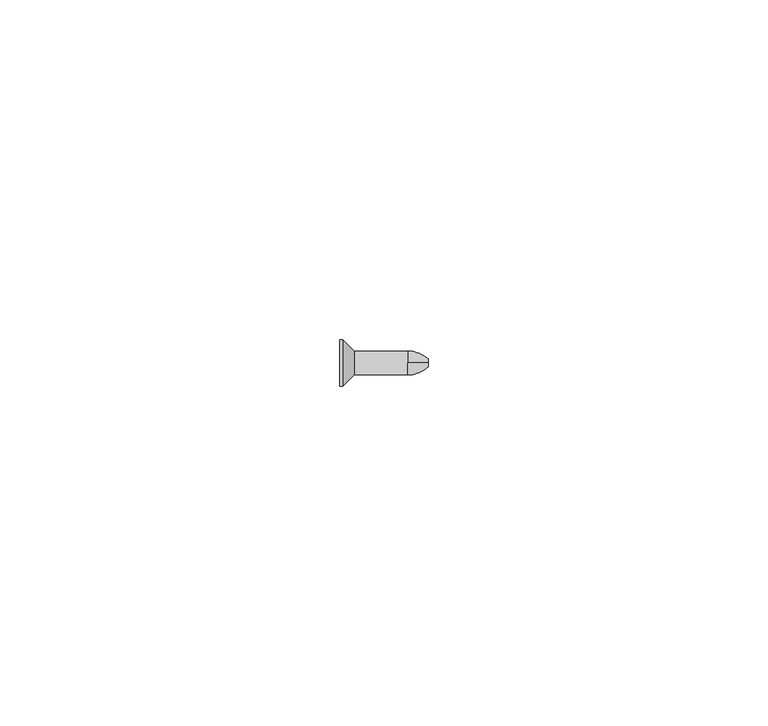
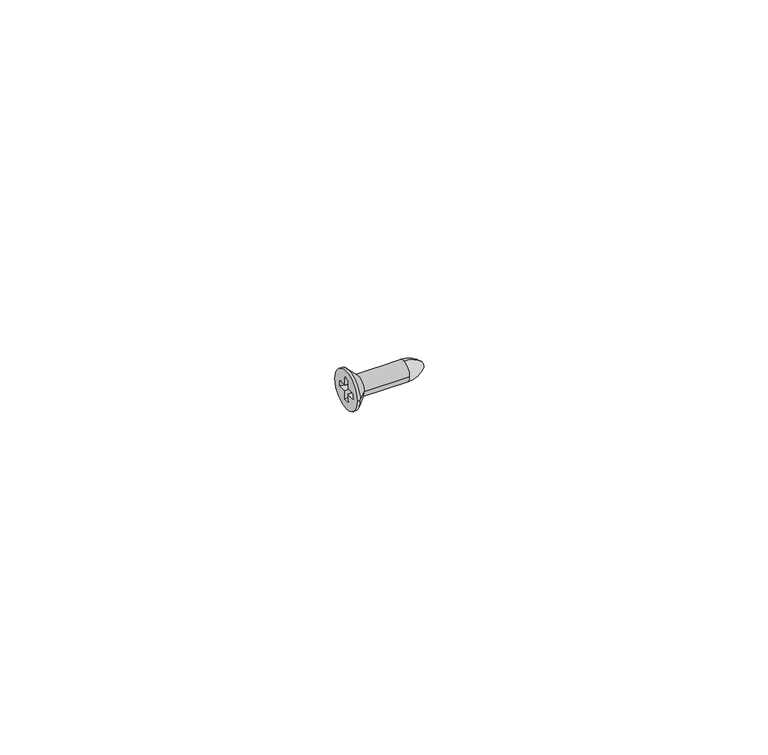
"""IFC4 building model written with IfcOpenShell, lengths in millimetres: proxy geometry."""

from ifc_helpers import new_model, si_unit, point, frame, origin, place, context, project, spatial, polyline, circle_curve, ellipse_curve, trimmed, source, transform, mapped, element, save
from ifc_brep_helpers import plane_surface, cylinder_surface, revolved_surface, advanced_brep


def generic_models_20a118e0(model_context):
    return source(origin(), model_context, "Body", "AdvancedBrep", [
        advanced_brep(
        [(9.9689111, 0.0, -1.75), (13.0, 0.0, -0.5833333), (13.0, 0.0, 0.5833333), (9.9689111, 0.0, 1.75), (9.9689111, -1.75, 0.0), (2.1, 1.75, 0.0), (9.9689111, 1.75, 0.0), (2.1, -1.75, 0.0), (0.45, 3.4, 0.0), (0.45, -3.4, 0.0), (0.0, 3.4, 0.0), (0.0, -3.4, 0.0), (0.0, 0.5, 1.9813467), (0.0, 0.5, 0.5), (1.05, 0.5, 0.5), (1.05, 0.5, 1.7), (0.0, 0.5, -0.5), (0.0, 0.5, -1.9813467), (1.05, 0.5, -1.7), (1.05, 0.5, -0.5), (0.0, -0.5, 1.9813467), (1.05, -0.5, 1.7), (0.0, -0.5, 0.5), (1.05, -0.5, 0.5), (0.0, -0.5, -1.9813467), (0.0, -0.5, -0.5), (1.05, -0.5, -0.5), (1.05, -0.5, -1.7), (0.0, -1.9813467, -0.5), (1.05, -1.7, -0.5), (1.05, 1.7, -0.5), (0.0, 1.9813467, -0.5), (1.05, 1.7, 0.5), (1.05, -1.7, 0.5), (0.0, -1.9813467, 0.5), (0.0, 1.9813467, 0.5), (13.0, 0.5833333, 0.0)],
        [
            (0, 1, circle_curve(frame((9.9689111, 0.0, 2.7708333), z_axis=(0.0, -1.0, 0.0), x_axis=(0.0, 0.0, -1.0)), 4.5208333)),
            (1, 2, circle_curve(frame((13.0, 0.0, 0.0), z_axis=(-1.0, 0.0, 0.0), x_axis=(0.0, 0.0, 1.0)), 0.5833333)),
            (2, 3, circle_curve(frame((9.9689111, 0.0, -2.7708333), z_axis=(0.0, -1.0, 0.0), x_axis=(0.0, 0.0, 1.0)), 4.5208333)),
            (3, 4, circle_curve(frame((9.9689111, 0.0, 0.0), z_axis=(1.0, 0.0, 0.0), x_axis=(0.0, 0.0, 1.0)), 1.75)),
            (4, 0, circle_curve(frame((9.9689111, 0.0, 0.0), z_axis=(1.0, 0.0, 0.0), x_axis=(0.0, 0.0, 1.0)), 1.75)),
            (5, 6),
            (6, 0, circle_curve(frame((9.9689111, 0.0, 0.0), z_axis=(-1.0, 0.0, 0.0), x_axis=(0.0, 1.0, 0.0)), 1.75)),
            (4, 7),
            (7, 5, circle_curve(frame((2.1, 0.0, 0.0), z_axis=(1.0, 0.0, 0.0), x_axis=(0.0, 1.0, 0.0)), 1.75)),
            (8, 5),
            (7, 9),
            (9, 8, circle_curve(frame((0.45, 0.0, 0.0), z_axis=(1.0, 0.0, 0.0), x_axis=(0.0, -1.0, 0.0)), 3.4)),
            (10, 8),
            (9, 11),
            (11, 10, circle_curve(frame((0.0, 0.0, 0.0), z_axis=(1.0, 0.0, 0.0), x_axis=(0.0, 1.0, 0.0)), 3.4)),
            (12, 13),
            (13, 14),
            (14, 15),
            (15, 12),
            (16, 17),
            (17, 18),
            (18, 19),
            (19, 16),
            (20, 12),
            (15, 21),
            (21, 20),
            (22, 20),
            (21, 23),
            (23, 22),
            (24, 25),
            (25, 26),
            (26, 27),
            (27, 24),
            (17, 24),
            (27, 18),
            (25, 28),
            (28, 29),
            (29, 26),
            (19, 30),
            (30, 31),
            (31, 16),
            (14, 32),
            (32, 30),
            (29, 33),
            (33, 23),
            (33, 34),
            (34, 22),
            (35, 31),
            (32, 35),
            (13, 35),
            (28, 34),
            (10, 11, circle_curve(frame((0.0, 0.0, 0.0), z_axis=(1.0, 0.0, 0.0), x_axis=(0.0, 1.0, 0.0)), 3.4)),
            (9, 8, circle_curve(frame((0.45, 0.0, 0.0), z_axis=(-1.0, 0.0, 0.0), x_axis=(0.0, 1.0, 0.0)), 3.4)),
            (7, 5, circle_curve(frame((2.1, 0.0, 0.0), z_axis=(-1.0, 0.0, 0.0), x_axis=(0.0, 1.0, 0.0)), 1.75)),
            (3, 6, circle_curve(frame((9.9689111, 0.0, 0.0), z_axis=(-1.0, 0.0, 0.0), x_axis=(0.0, 1.0, 0.0)), 1.75)),
            (2, 36, circle_curve(frame((13.0, 0.0, 0.0), z_axis=(-1.0, 0.0, 0.0), x_axis=(0.0, 0.0, -1.0)), 0.5833333)),
            (36, 1, circle_curve(frame((13.0, 0.0, 0.0), z_axis=(-1.0, 0.0, 0.0), x_axis=(0.0, 0.0, -1.0)), 0.5833333)),
        ],
        [
            revolved_surface(trimmed(ellipse_curve(frame((9.9689111, 0.0, -2.7708333), z_axis=(0.0, 1.0, 0.0), x_axis=(0.0, 0.0, 1.0)), 4.5208333, 4.5208333), [point((9.9689111, 0.0, 1.75))], [point((13.0, 0.0, 0.5833333))], True, "CARTESIAN"), (9.9689111, 0.0, 0.0), (1.0, 0.0, 0.0)),
            cylinder_surface(frame((6.0344555, 0.0, 0.0), z_axis=(1.0, 0.0, 0.0), x_axis=(0.0, 1.0, 0.0)), 1.75),
            revolved_surface(polyline([(2.0999999999999996, 1.7500000000000002, 0.0), (0.4500000000000002, 3.4, 0.0)]), (3.85, 0.0, 0.0), (-1.0, 0.0, 0.0)),
            cylinder_surface(frame((0.225, 0.0, 0.0), z_axis=(1.0, 0.0, 0.0), x_axis=(0.0, 1.0, 0.0)), 3.4),
            plane_surface(frame((-0.7612846, 0.5, 0.0), z_axis=(0.0, -1.0, 0.0), x_axis=(1.0, 0.0, 0.0))),
            plane_surface(frame((1.05, 0.0, 1.7), z_axis=(-0.2588190451025208, 0.0, -0.9659258262890683), x_axis=(0.0, -1.0, 0.0))),
            plane_surface(frame((-0.7612846, -0.5, 0.0), z_axis=(0.0, 1.0, 0.0), x_axis=(1.0, 0.0, 0.0))),
            plane_surface(frame((-2.2016339, 0.0, -2.5712727), z_axis=(-0.25881904510252063, 0.0, 0.9659258262890683), x_axis=(0.0, 1.0, 0.0))),
            plane_surface(frame((-0.7612846, 0.0, -0.5), z_axis=(0.0, 0.0, 1.0), x_axis=(1.0, 0.0, 0.0))),
            plane_surface(frame((1.05, -1.7, 0.0), z_axis=(-1.0, 0.0, 0.0), x_axis=(0.0, 0.0, -1.0))),
            plane_surface(frame((-0.7612846, 0.0, 0.5), z_axis=(0.0, 0.0, -1.0), x_axis=(1.0, 0.0, 0.0))),
            plane_surface(frame((1.05, 1.7, 0.0), z_axis=(-0.25881904510252063, -0.9659258262890683, 0.0), x_axis=(0.0, 0.0, 1.0))),
            plane_surface(frame((-2.2016339, -2.5712727, 0.0), z_axis=(-0.2588190451025208, 0.9659258262890683, 0.0), x_axis=(0.0, 0.0, -1.0))),
            revolved_surface(trimmed(ellipse_curve(frame((9.9689111, 0.0, 2.7708333), z_axis=(0.0, -1.0, 0.0), x_axis=(0.0, 0.0, -1.0)), 4.5208333, 4.5208333), [point((9.9689111, 0.0, -1.75))], [point((13.0, 0.0, -0.5833333))], True, "CARTESIAN"), (9.9689111, 0.0, 0.0), (1.0, 0.0, 0.0)),
            plane_surface(frame((13.0, 0.2916667, 0.0), z_axis=(1.0, 0.0, 0.0), x_axis=(0.0, 0.0, -1.0))),
            plane_surface(frame((0.0, 1.7, 0.0), z_axis=(-1.0, 0.0, 0.0), x_axis=(0.0, 0.0, 1.0))),
        ],
        [
            (0, [[1, 2, 3, 4, 5]]),
            (1, [[6, 7, -5, 8, 9]]),
            (2, [[10, -9, 11, 12]]),
            (3, [[13, -12, 14, 15]]),
            (4, [[16, 17, 18, 19]]),
            (4, [[20, 21, 22, 23]]),
            (5, [[24, -19, 25, 26]]),
            (6, [[27, -26, 28, 29]]),
            (6, [[30, 31, 32, 33]]),
            (7, [[34, -33, 35, -21]]),
            (8, [[-31, 36, 37, 38]]),
            (8, [[-23, 39, 40, 41]]),
            (9, [[42, 43, -39, -22, -35, -32, -38, 44, 45, -28, -25, -18]]),
            (10, [[-29, -45, 46, 47]]),
            (11, [[48, -40, -43, 49]]),
            (10, [[-17, 50, -49, -42]]),
            (12, [[51, -46, -44, -37]]),
            (3, [[-13, 52, -14, 53]]),
            (2, [[-10, -53, -11, 54]]),
            (1, [[-6, -54, -8, -4, 55]]),
            (13, [[-1, -7, -55, -3, 56, 57]]),
            (14, [[-56, -2, -57]]),
            (15, [[-52, -15], [-20, -41, -48, -50, -16, -24, -27, -47, -51, -36, -30, -34]]),
        ],
    ),
    ])


if __name__ == "__main__":
    model = new_model("IFC4")
    model_context = context("Model", 3, world=origin())
    ifc_project = project(units=[si_unit("LENGTHUNIT", "METRE", prefix="MILLI")], contexts=[model_context])
    site = spatial("IfcSite", under=ifc_project)
    building = spatial("IfcBuilding", under=site)
    placement = place(None, origin())
    generic_models_shape = generic_models_20a118e0(model_context)
    element("IfcBuildingElementProxy", 1, Name="Generic Models", at=placement, inside=building, context=model_context, shape_type="MappedRepresentation", body=[
        mapped(generic_models_shape, transform((0.0, 0.0, 0.0), x_axis=(1.0, 0.0, 0.0), y_axis=(0.0, 1.0, 0.0), z_axis=(0.0, 0.0, 1.0))),
    ])
    save(model, "model.ifc")
